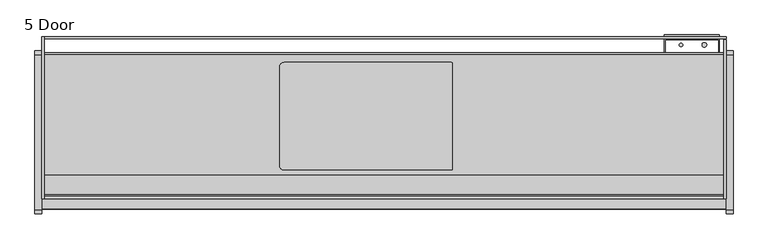
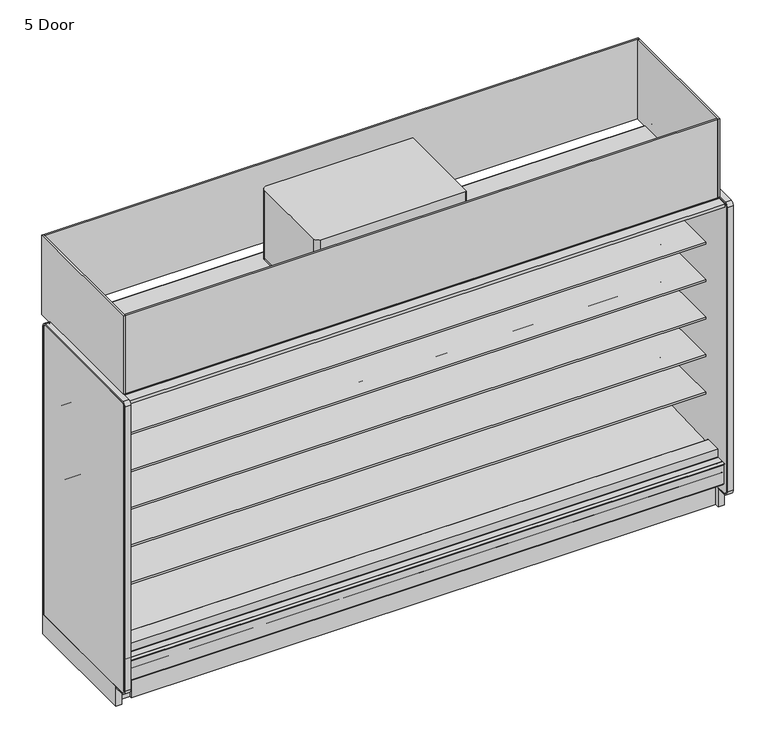
"""IFC4 building model written with IfcOpenShell, lengths in millimetres: proxy geometry, 5 Door."""

from ifc_helpers import new_model, si_unit, point, frame, frame_2d, origin, origin_with_axes, place, context, project, spatial, polyline, circle_curve, trimmed, segment, composite_curve, outline, extrude, source, transform, mapped, element, save


def proxy_5_door_d788ce0c(model_context):
    return source(origin(), model_context, "Body", "SweptSolid", [
        extrude(outline(polyline([(-1104.6571273, 0.0), (-1117.3571273, 0.0), (-1117.3571273, 195.9867506), (-1104.6571273, 185.3301853), (-1104.6571273, 0.0)])), frame((76.2, 0.0, 0.0), z_axis=(1.0, 0.0, 0.0), x_axis=(0.0, 1.0, 0.0)), (0.0, 0.0, 1.0), 3733.8),
        extrude(outline(polyline([(-1076.9207723, 2007.1442562), (-1074.8612926, 2015.4043781), (-1036.8504523, 2005.9272112), (-1039.7781058, 1997.8835493), (-1076.9207723, 2007.1442562)])), frame((76.2, 0.0, 0.0), z_axis=(1.0, 0.0, 0.0), x_axis=(0.0, 1.0, 0.0)), (0.0, 0.0, 1.0), 3733.8),
        extrude(outline(polyline([(3810.0, -361.7071273), (3810.0, -1161.8071273), (0.0, -1161.8071273), (0.0, -361.7071273), (3810.0, -361.7071273)])), frame((0.0, 0.0, 2096.29375), z_axis=(0.0, 0.0, 1.0), x_axis=(1.0, 0.0, 0.0)), (0.0, 0.0, 1.0), 6.35),
        extrude(outline(composite_curve([segment(polyline([(1323.975, -976.3814161), (1323.975, -428.9752148)]), True, "CONTINUOUS"), segment(trimmed(circle_curve(frame_2d((1349.375, -428.9752148)), 25.4), [point((1323.975, -428.9752148))], [point((1349.375, -403.5752148))], False, "CARTESIAN"), True, "CONTINUOUS"), segment(polyline([(1349.375, -403.5752148), (2280.62536, -403.5752148)]), True, "CONTINUOUS"), segment(trimmed(circle_curve(frame_2d((2280.62536, -408.9498548)), 5.37464), [point((2280.62536, -403.5752148))], [point((2286.0, -408.9498548))], False, "CARTESIAN"), True, "CONTINUOUS"), segment(polyline([(2286.0, -408.9498548), (2286.0, -996.4067761)]), True, "CONTINUOUS"), segment(trimmed(circle_curve(frame_2d((2280.62536, -996.4067761)), 5.37464), [point((2286.0, -996.4067761))], [point((2280.62536, -1001.7814161))], False, "CARTESIAN"), True, "CONTINUOUS"), segment(polyline([(2280.62536, -1001.7814161), (1349.375, -1001.7814161)]), True, "CONTINUOUS"), segment(trimmed(circle_curve(frame_2d((1349.375, -976.3814161)), 25.4), [point((1349.375, -1001.7814161))], [point((1323.975, -976.3814161))], False, "CARTESIAN"), True, "CONTINUOUS")], self_intersect=False)), frame((0.0, 0.0, 2102.64375), z_axis=(0.0, 0.0, 1.0), x_axis=(1.0, 0.0, 0.0)), (0.0, 0.0, 1.0), 12.7),
        extrude(outline(composite_curve([segment(polyline([(1323.975, -976.3814161), (1323.975, -428.9752148)]), True, "CONTINUOUS"), segment(trimmed(circle_curve(frame_2d((1349.375, -428.9752148)), 25.4), [point((1323.975, -428.9752148))], [point((1349.375, -403.5752148))], False, "CARTESIAN"), True, "CONTINUOUS"), segment(polyline([(1349.375, -403.5752148), (2280.62536, -403.5752148)]), True, "CONTINUOUS"), segment(trimmed(circle_curve(frame_2d((2280.62536, -408.9498548)), 5.37464), [point((2280.62536, -403.5752148))], [point((2286.0, -408.9498548))], False, "CARTESIAN"), True, "CONTINUOUS"), segment(polyline([(2286.0, -408.9498548), (2286.0, -996.4067761)]), True, "CONTINUOUS"), segment(trimmed(circle_curve(frame_2d((2280.62536, -996.4067761)), 5.37464), [point((2286.0, -996.4067761))], [point((2280.62536, -1001.7814161))], False, "CARTESIAN"), True, "CONTINUOUS"), segment(polyline([(2280.62536, -1001.7814161), (1349.375, -1001.7814161)]), True, "CONTINUOUS"), segment(trimmed(circle_curve(frame_2d((1349.375, -976.3814161)), 25.4), [point((1349.375, -1001.7814161))], [point((1323.975, -976.3814161))], False, "CARTESIAN"), True, "CONTINUOUS")], self_intersect=False)), frame((0.0, 0.0, 2115.34375), z_axis=(0.0, 0.0, 1.0), x_axis=(1.0, 0.0, 0.0)), (0.0, 0.0, 1.0), 461.75168),
        extrude(outline(polyline([(3810.0, -275.6866697), (3810.0, -1161.8071273), (3797.3, -1161.8071273), (3797.3, -275.6866697), (3810.0, -275.6866697)])), frame((0.0, 0.0, 2096.29375), z_axis=(0.0, 0.0, 1.0), x_axis=(1.0, 0.0, 0.0)), (0.0, 0.0, 1.0), 535.78125),
        extrude(outline(polyline([(12.7, -260.1071273), (12.7, -1161.8071273), (0.0, -1161.8071273), (0.0, -260.1071273), (12.7, -260.1071273)])), frame((0.0, 0.0, 2096.29375), z_axis=(0.0, 0.0, 1.0), x_axis=(1.0, 0.0, 0.0)), (0.0, 0.0, 1.0), 535.78125),
        extrude(outline(polyline([(3810.0, -260.1071273), (3810.0, -272.8071273), (12.7, -272.8071273), (12.7, -260.1071273), (3810.0, -260.1071273)])), frame((0.0, 0.0, 2096.29375), z_axis=(0.0, 0.0, 1.0), x_axis=(1.0, 0.0, 0.0)), (0.0, 0.0, 1.0), 536.1572188),
        extrude(outline(composite_curve([segment(polyline([(-1032.1083773, 2096.29375), (-1161.8071273, 2096.29375), (-1161.8071273, 2632.075), (-1149.113193, 2632.075), (-1149.113193, 2133.6584688)]), True, "CONTINUOUS"), segment(trimmed(circle_curve(frame_2d((-1136.413193, 2133.6584688)), 12.7), [point((-1149.113193, 2133.6584688))], [point((-1136.413193, 2120.9584688))], True, "CARTESIAN"), True, "CONTINUOUS"), segment(polyline([(-1136.413193, 2120.9584688), (-1032.1083773, 2120.9584688), (-1032.1083773, 2096.29375)]), True, "CONTINUOUS")], self_intersect=False)), frame((12.7, 0.0, 0.0), z_axis=(1.0, 0.0, 0.0), x_axis=(0.0, 1.0, 0.0)), (0.0, 0.0, 1.0), 3797.3),
        extrude(outline(polyline([(-349.0071273, 129.3876), (-1037.9873503, 129.3876), (-1192.1324192, 258.7306705), (-1192.1324192, 300.7449388), (-1137.9651974, 300.7449388), (-1137.9651974, 283.9418925), (-1025.3654807, 189.4595117), (-1009.819944, 190.0023738), (-964.4677493, 157.1934642), (-899.9654388, 159.4459345), (-859.8822128, 192.9404113), (-399.8071273, 220.5904298), (-399.8071273, 2043.9583622), (-1134.8551873, 2043.9583622), (-1134.8551873, 2095.5), (-349.0071273, 2095.5), (-349.0071273, 129.3876)])), frame((0.0, 0.0, 0.0), z_axis=(1.0, 0.0, 0.0), x_axis=(0.0, 1.0, 0.0)), (0.0, 0.0, 1.0), 3810.0),
        extrude(outline(polyline([(-394.9429832, 0.0), (-394.9429832, 73.7380382), (-893.6212714, 73.7380382), (-893.6212714, 0.0), (-958.6071273, 0.0), (-958.6071273, 129.3876), (-349.0071273, 129.3876), (-349.0071273, 0.0), (-394.9429832, 0.0)])), frame((0.0, 0.0, 0.0), z_axis=(1.0, 0.0, 0.0), x_axis=(0.0, 1.0, 0.0)), (0.0, 0.0, 1.0), 3810.0),
        extrude(outline(composite_curve([segment(polyline([(-1219.271907, 334.0862), (-1192.8205273, 334.0862)]), True, "CONTINUOUS"), segment(trimmed(circle_curve(frame_2d((-1192.8205273, 332.1304)), 1.9558), [point((-1192.8205273, 334.0862))], [point((-1190.8647273, 332.1304))], False, "CARTESIAN"), True, "CONTINUOUS"), segment(polyline([(-1190.8647273, 332.1304), (-1190.8647273, 321.3862), (-1190.8647273, 300.7449388), (-1192.1324192, 300.7449388), (-1192.1324192, 321.3862), (-1192.1324192, 332.1304)]), True, "CONTINUOUS"), segment(trimmed(circle_curve(frame_2d((-1192.9198192, 332.1304)), 0.7874), [point((-1192.1324192, 332.1304))], [point((-1192.9198192, 332.9178))], True, "CARTESIAN"), True, "CONTINUOUS"), segment(polyline([(-1192.9198192, 332.9178), (-1219.271907, 332.9178), (-1219.271907, 334.0862)]), True, "CONTINUOUS")], self_intersect=False)), frame((0.0, 0.0, 0.0), z_axis=(1.0, 0.0, 0.0), x_axis=(0.0, 1.0, 0.0)), (0.0, 0.0, 1.0), 3810.0),
        extrude(outline(composite_curve([segment(polyline([(-1147.6832716, 221.4334071), (-1204.6262772, 188.5573475)]), True, "CONTINUOUS"), segment(trimmed(circle_curve(frame_2d((-1205.4517772, 189.9871554)), 1.651), [point((-1204.6262772, 188.5573475))], [point((-1207.1027772, 189.9871554))], False, "CARTESIAN"), True, "CONTINUOUS"), segment(polyline([(-1207.1027772, 189.9871554), (-1207.1027772, 191.5746554), (-1207.1027772, 320.4775395), (-1207.1027772, 322.0015395)]), True, "CONTINUOUS"), segment(trimmed(circle_curve(frame_2d((-1205.4517772, 322.0015395)), 1.651), [point((-1207.1027772, 322.0015395))], [point((-1205.4517772, 323.6525395))], False, "CARTESIAN"), True, "CONTINUOUS"), segment(polyline([(-1205.4517772, 323.6525395), (-1199.1652772, 323.6525395), (-1199.1652772, 322.7889395), (-1205.4517772, 322.7889395)]), True, "CONTINUOUS"), segment(trimmed(circle_curve(frame_2d((-1205.4517772, 322.0015395)), 0.7874), [point((-1205.4517772, 322.7889395))], [point((-1206.2391772, 322.0015395))], True, "CARTESIAN"), True, "CONTINUOUS"), segment(polyline([(-1206.2391772, 322.0015395), (-1206.2391772, 320.4775395), (-1206.2391772, 189.9871554)]), True, "CONTINUOUS"), segment(trimmed(circle_curve(frame_2d((-1205.4517772, 189.9871554)), 0.7874), [point((-1206.2391772, 189.9871554))], [point((-1205.0580772, 189.305247))], True, "CARTESIAN"), True, "CONTINUOUS"), segment(polyline([(-1205.0580772, 189.305247), (-1148.3872848, 222.0241443), (-1147.6832716, 221.4334071)]), True, "CONTINUOUS")], self_intersect=False)), frame((0.0, 0.0, 0.0), z_axis=(1.0, 0.0, 0.0), x_axis=(0.0, 1.0, 0.0)), (0.0, 0.0, 1.0), 3810.0),
        extrude(outline(composite_curve([segment(polyline([(-451.3116948, 591.1422184), (-462.4195871, 590.9259013)]), True, "CONTINUOUS"), segment(trimmed(circle_curve(frame_2d((-462.9075328, 615.9819291)), 25.0607786), [point((-462.4195871, 590.9259013))], [point((-478.8148554, 596.6170199))], False, "CARTESIAN"), True, "CONTINUOUS"), segment(polyline([(-478.8148554, 596.6170199), (-517.036556, 627.7002885)]), True, "CONTINUOUS"), segment(trimmed(circle_curve(frame_2d((-557.1010291, 578.4348036)), 63.5), [point((-517.036556, 627.7002885))], [point((-550.2480196, 641.5639274))], True, "CARTESIAN"), True, "CONTINUOUS"), segment(polyline([(-550.2480196, 641.5639274), (-889.6556929, 674.1744175), (-889.6556929, 678.4587439), (-1010.0816513, 678.4587439), (-1010.0816513, 691.9524939), (-451.3116948, 691.9524939), (-451.3116948, 591.1422184)]), True, "CONTINUOUS")], self_intersect=False)), frame((0.0, 0.0, 0.0), z_axis=(1.0, 0.0, 0.0), x_axis=(0.0, 1.0, 0.0)), (0.0, 0.0, 1.0), 3810.0),
        extrude(outline(composite_curve([segment(polyline([(-451.3116948, 845.1422184), (-462.4195871, 844.9259013)]), True, "CONTINUOUS"), segment(trimmed(circle_curve(frame_2d((-462.9075328, 869.9819291)), 25.0607786), [point((-462.4195871, 844.9259013))], [point((-478.8148554, 850.6170199))], False, "CARTESIAN"), True, "CONTINUOUS"), segment(polyline([(-478.8148554, 850.6170199), (-517.036556, 881.7002885)]), True, "CONTINUOUS"), segment(trimmed(circle_curve(frame_2d((-557.1010291, 832.4348036)), 63.5), [point((-517.036556, 881.7002885))], [point((-550.2480196, 895.5639274))], True, "CARTESIAN"), True, "CONTINUOUS"), segment(polyline([(-550.2480196, 895.5639274), (-889.6556929, 928.1744175), (-889.6556929, 932.4587439), (-1010.0816513, 932.4587439), (-1010.0816513, 945.9524939), (-451.3116948, 945.9524939), (-451.3116948, 845.1422184)]), True, "CONTINUOUS")], self_intersect=False)), frame((0.0, 0.0, 0.0), z_axis=(1.0, 0.0, 0.0), x_axis=(0.0, 1.0, 0.0)), (0.0, 0.0, 1.0), 3810.0),
        extrude(outline(composite_curve([segment(polyline([(-451.3116948, 1099.1422184), (-462.4195871, 1098.9259013)]), True, "CONTINUOUS"), segment(trimmed(circle_curve(frame_2d((-462.9075328, 1123.9819291)), 25.0607786), [point((-462.4195871, 1098.9259013))], [point((-478.8148554, 1104.6170199))], False, "CARTESIAN"), True, "CONTINUOUS"), segment(polyline([(-478.8148554, 1104.6170199), (-517.036556, 1135.7002885)]), True, "CONTINUOUS"), segment(trimmed(circle_curve(frame_2d((-557.1010291, 1086.4348036)), 63.5), [point((-517.036556, 1135.7002885))], [point((-550.2480196, 1149.5639274))], True, "CARTESIAN"), True, "CONTINUOUS"), segment(polyline([(-550.2480196, 1149.5639274), (-889.6556929, 1182.1744175), (-889.6556929, 1186.4587439), (-1010.0816513, 1186.4587439), (-1010.0816513, 1199.9524939), (-451.3116948, 1199.9524939), (-451.3116948, 1099.1422184)]), True, "CONTINUOUS")], self_intersect=False)), frame((0.0, 0.0, 0.0), z_axis=(1.0, 0.0, 0.0), x_axis=(0.0, 1.0, 0.0)), (0.0, 0.0, 1.0), 3810.0),
        extrude(outline(composite_curve([segment(polyline([(-451.3116948, 1353.1422184), (-462.4195871, 1352.9259013)]), True, "CONTINUOUS"), segment(trimmed(circle_curve(frame_2d((-462.9075328, 1377.9819291)), 25.0607786), [point((-462.4195871, 1352.9259013))], [point((-478.8148554, 1358.6170199))], False, "CARTESIAN"), True, "CONTINUOUS"), segment(polyline([(-478.8148554, 1358.6170199), (-517.036556, 1389.7002885)]), True, "CONTINUOUS"), segment(trimmed(circle_curve(frame_2d((-557.1010291, 1340.4348036)), 63.5), [point((-517.036556, 1389.7002885))], [point((-550.2480196, 1403.5639274))], True, "CARTESIAN"), True, "CONTINUOUS"), segment(polyline([(-550.2480196, 1403.5639274), (-889.6556929, 1436.1744175), (-889.6556929, 1440.4587439), (-1010.0816513, 1440.4587439), (-1010.0816513, 1453.9524939), (-451.3116948, 1453.9524939), (-451.3116948, 1353.1422184)]), True, "CONTINUOUS")], self_intersect=False)), frame((0.0, 0.0, 0.0), z_axis=(1.0, 0.0, 0.0), x_axis=(0.0, 1.0, 0.0)), (0.0, 0.0, 1.0), 3810.0),
        extrude(outline(polyline([(-1218.7163962, 2070.8112), (-1218.7163962, 2089.15), (-1134.8551873, 2089.15), (-1134.8551873, 2043.9583622), (-1147.784197, 2043.9583622), (-1147.784197, 2070.8112), (-1218.7163962, 2070.8112)])), frame((0.0, 0.0, 0.0), z_axis=(1.0, 0.0, 0.0), x_axis=(0.0, 1.0, 0.0)), (0.0, 0.0, 1.0), 3810.0),
        extrude(outline(polyline([(-1147.784197, 334.0862), (-1141.434197, 334.0862), (-1141.434197, 302.7473029), (-1141.434197, 300.7449388), (-1190.8639311, 300.7449388), (-1190.8657083, 334.0862), (-1147.784197, 334.0862)])), frame((0.0, 0.0, 0.0), z_axis=(1.0, 0.0, 0.0), x_axis=(0.0, 1.0, 0.0)), (0.0, 0.0, 1.0), 3810.0),
        extrude(outline(composite_curve([segment(polyline([(-451.3116948, 1607.1422184), (-462.4195871, 1606.9259013)]), True, "CONTINUOUS"), segment(trimmed(circle_curve(frame_2d((-462.9075328, 1631.9819291)), 25.0607786), [point((-462.4195871, 1606.9259013))], [point((-478.8148554, 1612.6170199))], False, "CARTESIAN"), True, "CONTINUOUS"), segment(polyline([(-478.8148554, 1612.6170199), (-517.036556, 1643.7002885)]), True, "CONTINUOUS"), segment(trimmed(circle_curve(frame_2d((-557.1010291, 1594.4348036)), 63.5), [point((-517.036556, 1643.7002885))], [point((-550.2480196, 1657.5639274))], True, "CARTESIAN"), True, "CONTINUOUS"), segment(polyline([(-550.2480196, 1657.5639274), (-889.6556929, 1690.1744175), (-889.6556929, 1694.4587439), (-1010.1116948, 1694.4587439), (-1010.1116948, 1707.9524939), (-451.3116948, 1707.9524939), (-451.3116948, 1607.1422184)]), True, "CONTINUOUS")], self_intersect=False)), frame((0.0, 0.0, 0.0), z_axis=(1.0, 0.0, 0.0), x_axis=(0.0, 1.0, 0.0)), (0.0, 0.0, 1.0), 3810.0),
        extrude(outline(polyline([(-567.2562782, 2018.5249991), (-1017.6292833, 2018.5249991), (-1036.9661273, 1995.0715709), (-1041.9696546, 1996.3190903), (-1041.4741571, 1998.3064224), (-1039.7781058, 1997.8835493), (-1021.8347672, 2018.5249991), (-1076.9207723, 2018.5249991), (-1076.9207723, 2007.1442562), (-1074.5967475, 2006.5648117), (-1075.092245, 2004.5774796), (-1080.0957723, 2005.8249991), (-1080.0957723, 2018.5249991), (-1089.6692942, 2018.5249991), (-1089.6692942, 2034.8268848), (-1102.3692942, 2034.8268848), (-1102.3692942, 2043.9583622), (-399.8071273, 2043.9583622), (-399.8071273, 300.7449388), (-451.3116948, 300.7449388), (-451.3116948, 2018.5249991), (-567.2562782, 2018.5249991)])), frame((0.0, 0.0, 0.0), z_axis=(1.0, 0.0, 0.0), x_axis=(0.0, 1.0, 0.0)), (0.0, 0.0, 1.0), 3810.0),
        extrude(outline(composite_curve([segment(polyline([(-549.102044, 376.9132463), (-549.102044, 389.995836), (-476.8468712, 389.995836), (-476.8468712, 399.2749991), (-451.3116948, 399.2749991), (-451.3116948, 380.470836), (-451.3116948, 300.7449388), (-399.8071273, 300.7449388), (-399.8071273, 220.5904298), (-859.8822128, 192.9404113), (-899.9654388, 159.4459345), (-964.4677493, 157.1934642), (-1009.819944, 190.0023738), (-1025.3654807, 189.4595117), (-1137.9651974, 283.9418925), (-1137.9651974, 300.7449388), (-1141.434197, 300.7449388), (-1141.434197, 388.7420495), (-1036.9661273, 388.7420495)]), True, "CONTINUOUS"), segment(trimmed(circle_curve(frame_2d((-1036.9661273, 386.6846495)), 2.0574), [point((-1036.9661273, 388.7420495))], [point((-1034.9087273, 386.6846495))], False, "CARTESIAN"), True, "CONTINUOUS"), segment(polyline([(-1034.9087273, 386.6846495), (-1034.9087273, 358.7683558), (-549.102044, 376.9132463)]), True, "CONTINUOUS")], self_intersect=False)), frame((0.0, 0.0, 0.0), z_axis=(1.0, 0.0, 0.0), x_axis=(0.0, 1.0, 0.0)), (0.0, 0.0, 1.0), 3810.0),
        extrude(outline(composite_curve([segment(trimmed(circle_curve(frame_2d((3687.8082444, -305.1108756)), 12.7), [point((3675.1082444, -305.1108756))], [point((3700.5082444, -305.1108756))], False, "CARTESIAN"), True, "CONTINUOUS"), segment(trimmed(circle_curve(frame_2d((3687.8082444, -305.1108756)), 12.7), [point((3700.5082444, -305.1108756))], [point((3675.1082444, -305.1108756))], False, "CARTESIAN"), True, "CONTINUOUS")], self_intersect=False)), frame((0.0, 0.0, 1138.0399939), z_axis=(0.0, 0.0, 1.0), x_axis=(1.0, 0.0, 0.0)), (0.0, 0.0, 1.0), 554.8039204),
        extrude(outline(composite_curve([segment(trimmed(circle_curve(frame_2d((3558.38125, -305.1108756)), 9.525), [point((3548.85625, -305.1108756))], [point((3567.90625, -305.1108756))], False, "CARTESIAN"), True, "CONTINUOUS"), segment(trimmed(circle_curve(frame_2d((3558.38125, -305.1108756)), 9.525), [point((3567.90625, -305.1108756))], [point((3548.85625, -305.1108756))], False, "CARTESIAN"), True, "CONTINUOUS")], self_intersect=False)), frame((0.0, 0.0, 1138.0399939), z_axis=(0.0, 0.0, 1.0), x_axis=(1.0, 0.0, 0.0)), (0.0, 0.0, 1.0), 554.8039204),
        extrude(outline(composite_curve([segment(polyline([(-349.0071273, 133.35), (-1209.4321273, 133.35)]), True, "CONTINUOUS"), segment(trimmed(circle_curve(frame_2d((-1209.4321273, 158.75)), 25.4), [point((-1209.4321273, 133.35))], [point((-1234.8321273, 158.75))], False, "CARTESIAN"), True, "CONTINUOUS"), segment(polyline([(-1234.8321273, 158.75), (-1234.8321273, 2082.8)]), True, "CONTINUOUS"), segment(trimmed(circle_curve(frame_2d((-1222.1321273, 2082.8)), 12.7), [point((-1234.8321273, 2082.8))], [point((-1222.1321273, 2095.5))], False, "CARTESIAN"), True, "CONTINUOUS"), segment(polyline([(-1222.1321273, 2095.5), (-361.7071273, 2095.5)]), True, "CONTINUOUS"), segment(trimmed(circle_curve(frame_2d((-361.7071273, 2082.8)), 12.7), [point((-361.7071273, 2095.5))], [point((-349.0071273, 2082.8))], False, "CARTESIAN"), True, "CONTINUOUS"), segment(polyline([(-349.0071273, 2082.8), (-349.0071273, 133.35)]), True, "CONTINUOUS")], self_intersect=False)), frame((3810.0, 0.0, 0.0), z_axis=(1.0, 0.0, 0.0), x_axis=(0.0, 1.0, 0.0)), (0.0, 0.0, 1.0), 38.1),
        extrude(outline(composite_curve([segment(polyline([(-349.0071273, 133.35), (-349.0071273, 2082.8)]), True, "CONTINUOUS"), segment(trimmed(circle_curve(frame_2d((-361.7071273, 2082.8)), 12.7), [point((-349.0071273, 2082.8))], [point((-361.7071273, 2095.5))], True, "CARTESIAN"), True, "CONTINUOUS"), segment(polyline([(-361.7071273, 2095.5), (-1222.1321273, 2095.5)]), True, "CONTINUOUS"), segment(trimmed(circle_curve(frame_2d((-1222.1321273, 2082.8)), 12.7), [point((-1222.1321273, 2095.5))], [point((-1234.8321273, 2082.8))], True, "CARTESIAN"), True, "CONTINUOUS"), segment(polyline([(-1234.8321273, 2082.8), (-1234.8321273, 158.75)]), True, "CONTINUOUS"), segment(trimmed(circle_curve(frame_2d((-1209.4321273, 158.75)), 25.4), [point((-1234.8321273, 158.75))], [point((-1209.4321273, 133.35))], True, "CARTESIAN"), True, "CONTINUOUS"), segment(polyline([(-1209.4321273, 133.35), (-1145.9321273, 133.35), (-1145.9321273, 123.825), (-1209.4321273, 123.825)]), True, "CONTINUOUS"), segment(trimmed(circle_curve(frame_2d((-1209.4321273, 158.75)), 34.925), [point((-1209.4321273, 123.825))], [point((-1244.3571273, 158.75))], False, "CARTESIAN"), True, "CONTINUOUS"), segment(polyline([(-1244.3571273, 158.75), (-1244.3571273, 2082.8)]), True, "CONTINUOUS"), segment(trimmed(circle_curve(frame_2d((-1222.1321273, 2082.8)), 22.225), [point((-1244.3571273, 2082.8))], [point((-1222.1321273, 2105.025))], False, "CARTESIAN"), True, "CONTINUOUS"), segment(polyline([(-1222.1321273, 2105.025), (-361.7071273, 2105.025)]), True, "CONTINUOUS"), segment(trimmed(circle_curve(frame_2d((-361.7071273, 2082.8)), 22.225), [point((-361.7071273, 2105.025))], [point((-339.4821273, 2082.8))], False, "CARTESIAN"), True, "CONTINUOUS"), segment(polyline([(-339.4821273, 2082.8), (-339.4821273, 133.35), (-349.0071273, 133.35)]), True, "CONTINUOUS")], self_intersect=False)), frame((3810.0, 0.0, 0.0), z_axis=(1.0, 0.0, 0.0), x_axis=(0.0, 1.0, 0.0)), (0.0, 0.0, 1.0), 38.1),
        extrude(outline(polyline([(3771.10625, -250.0454628), (3771.10625, -349.0071273), (3767.93125, -349.0071273), (3767.93125, -275.6866697), (3469.48125, -275.6866697), (3469.48125, -349.0071273), (3466.30625, -349.0071273), (3466.30625, -250.0454628), (3771.10625, -250.0454628)])), frame((0.0, 0.0, 193.7512), z_axis=(0.0, 0.0, 1.0), x_axis=(1.0, 0.0, 0.0)), (0.0, 0.0, 1.0), 1438.7950439),
        extrude(outline(composite_curve([segment(polyline([(-349.0071273, 133.35), (-1209.4321273, 133.35)]), True, "CONTINUOUS"), segment(trimmed(circle_curve(frame_2d((-1209.4321273, 158.75)), 25.4), [point((-1209.4321273, 133.35))], [point((-1234.8321273, 158.75))], False, "CARTESIAN"), True, "CONTINUOUS"), segment(polyline([(-1234.8321273, 158.75), (-1234.8321273, 2082.8)]), True, "CONTINUOUS"), segment(trimmed(circle_curve(frame_2d((-1222.1321273, 2082.8)), 12.7), [point((-1234.8321273, 2082.8))], [point((-1222.1321273, 2095.5))], False, "CARTESIAN"), True, "CONTINUOUS"), segment(polyline([(-1222.1321273, 2095.5), (-361.7071273, 2095.5)]), True, "CONTINUOUS"), segment(trimmed(circle_curve(frame_2d((-361.7071273, 2082.8)), 12.7), [point((-361.7071273, 2095.5))], [point((-349.0071273, 2082.8))], False, "CARTESIAN"), True, "CONTINUOUS"), segment(polyline([(-349.0071273, 2082.8), (-349.0071273, 133.35)]), True, "CONTINUOUS")], self_intersect=False)), frame((-38.1, 0.0, 0.0), z_axis=(1.0, 0.0, 0.0), x_axis=(0.0, 1.0, 0.0)), (0.0, 0.0, 1.0), 38.1),
        extrude(outline(composite_curve([segment(polyline([(-349.0071273, 133.35), (-349.0071273, 2082.8)]), True, "CONTINUOUS"), segment(trimmed(circle_curve(frame_2d((-361.7071273, 2082.8)), 12.7), [point((-349.0071273, 2082.8))], [point((-361.7071273, 2095.5))], True, "CARTESIAN"), True, "CONTINUOUS"), segment(polyline([(-361.7071273, 2095.5), (-1222.1321273, 2095.5)]), True, "CONTINUOUS"), segment(trimmed(circle_curve(frame_2d((-1222.1321273, 2082.8)), 12.7), [point((-1222.1321273, 2095.5))], [point((-1234.8321273, 2082.8))], True, "CARTESIAN"), True, "CONTINUOUS"), segment(polyline([(-1234.8321273, 2082.8), (-1234.8321273, 158.75)]), True, "CONTINUOUS"), segment(trimmed(circle_curve(frame_2d((-1209.4321273, 158.75)), 25.4), [point((-1234.8321273, 158.75))], [point((-1209.4321273, 133.35))], True, "CARTESIAN"), True, "CONTINUOUS"), segment(polyline([(-1209.4321273, 133.35), (-1145.9321273, 133.35), (-1145.9321273, 123.825), (-1209.4321273, 123.825)]), True, "CONTINUOUS"), segment(trimmed(circle_curve(frame_2d((-1209.4321273, 158.75)), 34.925), [point((-1209.4321273, 123.825))], [point((-1244.3571273, 158.75))], False, "CARTESIAN"), True, "CONTINUOUS"), segment(polyline([(-1244.3571273, 158.75), (-1244.3571273, 2082.8)]), True, "CONTINUOUS"), segment(trimmed(circle_curve(frame_2d((-1222.1321273, 2082.8)), 22.225), [point((-1244.3571273, 2082.8))], [point((-1222.1321273, 2105.025))], False, "CARTESIAN"), True, "CONTINUOUS"), segment(polyline([(-1222.1321273, 2105.025), (-361.7071273, 2105.025)]), True, "CONTINUOUS"), segment(trimmed(circle_curve(frame_2d((-361.7071273, 2082.8)), 22.225), [point((-361.7071273, 2105.025))], [point((-339.4821273, 2082.8))], False, "CARTESIAN"), True, "CONTINUOUS"), segment(polyline([(-339.4821273, 2082.8), (-339.4821273, 133.35), (-349.0071273, 133.35)]), True, "CONTINUOUS")], self_intersect=False)), frame((-38.1, 0.0, 0.0), z_axis=(1.0, 0.0, 0.0), x_axis=(0.0, 1.0, 0.0)), (0.0, 0.0, 1.0), 38.1),
        extrude(outline(polyline([(0.0, -339.4821273), (0.0, -1145.9321273), (-38.1, -1145.9321273), (-38.1, -339.4821273), (0.0, -339.4821273)])), origin_with_axes(), (0.0, 0.0, 1.0), 133.35),
        extrude(outline(polyline([(3848.1, -339.4821273), (3848.1, -1145.9321273), (3810.0, -1145.9321273), (3810.0, -339.4821273), (3848.1, -339.4821273)])), origin_with_axes(), (0.0, 0.0, 1.0), 133.35),
        extrude(outline(polyline([(105.5601284, -735.1975818), (397.6601284, -735.1975818), (397.6601284, -986.5952905), (105.5601284, -986.5952905), (105.5601284, -735.1975818)])), frame((0.0, 0.0, 95.25), z_axis=(0.0, 0.0, 1.0), x_axis=(1.0, 0.0, 0.0)), (0.0, 0.0, 1.0), 6.35),
        extrude(outline(composite_curve([segment(trimmed(circle_curve(frame_2d((1905.0, -968.1321273)), 38.1), [point((1866.9, -968.1321273))], [point((1943.1, -968.1321273))], False, "CARTESIAN"), True, "CONTINUOUS"), segment(trimmed(circle_curve(frame_2d((1905.0, -968.1321273)), 38.1), [point((1943.1, -968.1321273))], [point((1866.9, -968.1321273))], False, "CARTESIAN"), True, "CONTINUOUS")], self_intersect=False)), origin_with_axes(), (0.0, 0.0, 1.0), 101.6),
        extrude(outline(polyline([(-1104.6571273, 0.0), (-1104.6571273, 185.3301853), (-1037.9873503, 129.3876), (-958.6071273, 129.3876), (-958.6071273, 0.0), (-1104.6571273, 0.0)])), frame((0.0, 0.0, 0.0), z_axis=(1.0, 0.0, 0.0), x_axis=(0.0, 1.0, 0.0)), (0.0, 0.0, 1.0), 3810.0),
    ])


if __name__ == "__main__":
    model = new_model("IFC4")
    model_context = context("Model", 3, world=origin())
    ifc_project = project(units=[si_unit("LENGTHUNIT", "METRE", prefix="MILLI")], contexts=[model_context])
    site = spatial("IfcSite", under=ifc_project)
    building = spatial("IfcBuilding", under=site)
    placement = place(None, origin())
    proxy_5_door_shape = proxy_5_door_d788ce0c(model_context)
    element("IfcBuildingElementProxy", 1, Name="5 Door", ObjectType="5 Door", at=placement, inside=building, context=model_context, shape_type="MappedRepresentation", body=[
        mapped(proxy_5_door_shape, transform((0.0, 0.0, 0.0), x_axis=(1.0, 0.0, 0.0), y_axis=(0.0, 1.0, 0.0), z_axis=(0.0, 0.0, 1.0))),
    ])
    save(model, "model.ifc")
